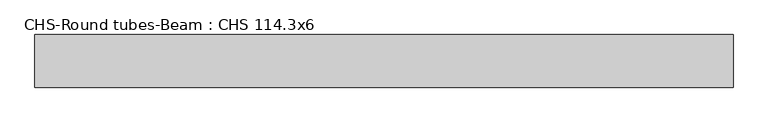
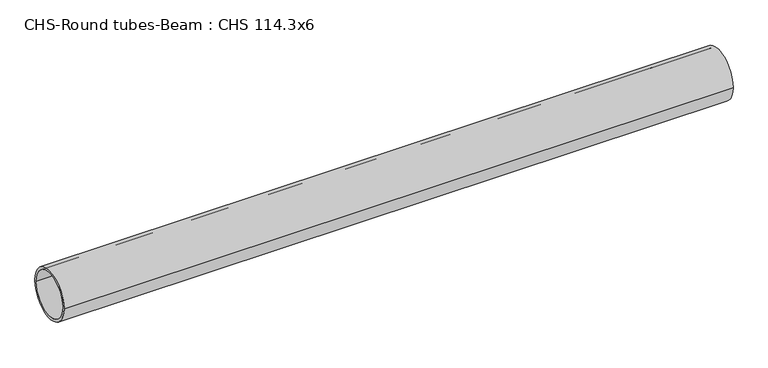
"""IFC4 building model written with IfcOpenShell, lengths in millimetres: beam geometry, CHS-Round tubes-Beam : CHS 114.3x6."""

from ifc_helpers import new_model, si_unit, point, frame, origin, origin_2d, place, context, project, spatial, circle_curve, trimmed, segment, composite_curve, outline, extrude, source, transform, mapped, element, save


def chs_round_tubes_beam_chs_114_3x6_cd13df3d(model_context):
    return source(origin(), model_context, "Body", "SweptSolid", [
        extrude(outline(composite_curve([segment(trimmed(circle_curve(origin_2d(), 57.15), [point((57.15, 0.0))], [point((-57.15, 0.0))], False, "CARTESIAN"), True, "CONTINUOUS"), segment(trimmed(circle_curve(origin_2d(), 57.15), [point((-57.15, 0.0))], [point((57.15, 0.0))], False, "CARTESIAN"), True, "CONTINUOUS")], self_intersect=False), holes=[composite_curve([segment(trimmed(circle_curve(origin_2d(), 51.15), [point((51.15, 0.0))], [point((-51.15, 0.0))], True, "CARTESIAN"), True, "CONTINUOUS"), segment(trimmed(circle_curve(origin_2d(), 51.15), [point((-51.15, 0.0))], [point((51.15, 0.0))], True, "CARTESIAN"), True, "CONTINUOUS")], self_intersect=False)]), frame((-771.3886175, 0.0, 0.0), z_axis=(1.0, 0.0, 0.0), x_axis=(0.0, 1.0, 0.0)), (0.0, 0.0, 1.0), 1515.9843939),
    ])


if __name__ == "__main__":
    model = new_model("IFC4")
    model_context = context("Model", 3, world=origin())
    ifc_project = project(units=[si_unit("LENGTHUNIT", "METRE", prefix="MILLI")], contexts=[model_context])
    site = spatial("IfcSite", under=ifc_project)
    building = spatial("IfcBuilding", under=site)
    placement = place(None, origin())
    chs_round_tubes_beam_chs_114_3x6_shape = chs_round_tubes_beam_chs_114_3x6_cd13df3d(model_context)
    element("IfcBeam", 1, ObjectType="CHS-Round tubes-Beam : CHS 114.3x6", at=placement, inside=building, context=model_context, shape_type="MappedRepresentation", body=[
        mapped(chs_round_tubes_beam_chs_114_3x6_shape, transform((0.0, 0.0, 0.0), x_axis=(1.0, 0.0, 0.0), y_axis=(0.0, 1.0, 0.0), z_axis=(0.0, 0.0, 1.0))),
    ])
    save(model, "model.ifc")
